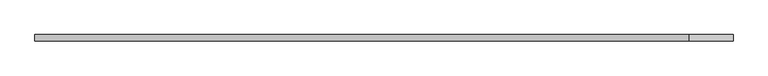
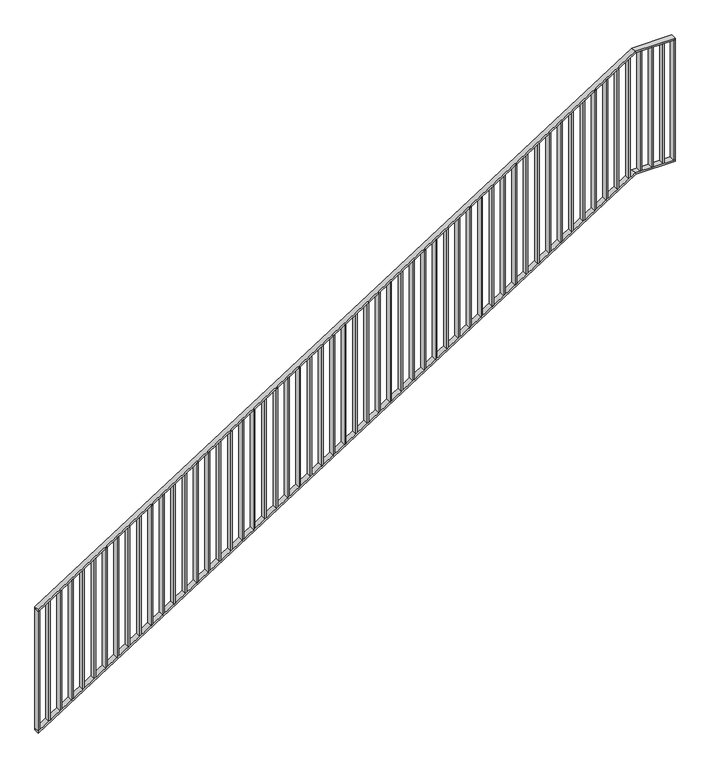
"""IFC4 building model written with IfcOpenShell, lengths in millimetres: railing geometry."""

from ifc_helpers import new_model, si_unit, frame, origin, place, context, project, spatial, polyline, outline, extrude, faceted_brep, source, transform, mapped, element, save


def railing_444c40e1(model_context):
    return source(origin(), model_context, "Body", "SolidModel", [
        faceted_brep([(10020.0, -14.6, 1178.125), (10020.0, 25.4, 1178.125), (10020.0, 25.4, 1166.2576574), (10020.0, -14.6, 1166.2576574), (14201.25, -14.6, 3850.0), (14201.25, 25.4, 3850.0), (14204.1722273, 25.4, 3840.0), (14204.1722273, -14.6, 3840.0), (14480.0, -14.6, 3850.0), (14480.0, -14.6, 3840.0), (14480.0, 25.4, 3840.0), (14480.0, 25.4, 3850.0)], [[[0, 1, 2, 3]], [[1, 0, 4, 5]], [[2, 1, 5, 6]], [[3, 2, 6, 7]], [[0, 3, 7, 4]], [[8, 9, 10, 11]], [[5, 4, 8, 11]], [[6, 5, 11, 10]], [[7, 6, 10, 9]], [[4, 7, 9, 8]]]),
        faceted_brep([(10020.0, -14.6, 278.125), (10020.0, 25.4, 278.125), (10020.0, 25.4, 266.2576574), (10020.0, -14.6, 266.2576574), (14201.25, -14.6, 2950.0), (14201.25, 25.4, 2950.0), (14204.1722273, 25.4, 2940.0), (14204.1722273, -14.6, 2940.0), (14480.0, -14.6, 2950.0), (14480.0, -14.6, 2940.0), (14480.0, 25.4, 2940.0), (14480.0, 25.4, 2950.0)], [[[0, 1, 2, 3]], [[1, 0, 4, 5]], [[2, 1, 5, 6]], [[3, 2, 6, 7]], [[0, 3, 7, 4]], [[8, 9, 10, 11]], [[5, 4, 8, 11]], [[6, 5, 11, 10]], [[7, 6, 10, 9]], [[4, 7, 9, 8]]]),
        extrude(outline(polyline([(14395.3571429, -14.6), (14395.3571429, 25.4), (14405.3571429, 25.4), (14405.3571429, -14.6), (14395.3571429, -14.6)])), frame((0.0, 0.0, 2950.0), z_axis=(0.0, 0.0, 1.0), x_axis=(1.0, 0.0, 0.0)), (0.0, 0.0, 1.0), 890.0),
        extrude(outline(polyline([(14315.7142857, -14.6), (14315.7142857, 25.4), (14325.7142857, 25.4), (14325.7142857, -14.6), (14315.7142857, -14.6)])), frame((0.0, 0.0, 2950.0), z_axis=(0.0, 0.0, 1.0), x_axis=(1.0, 0.0, 0.0)), (0.0, 0.0, 1.0), 890.0),
        extrude(outline(polyline([(14236.0714286, -14.6), (14236.0714286, 25.4), (14246.0714286, 25.4), (14246.0714286, -14.6), (14236.0714286, -14.6)])), frame((0.0, 0.0, 2950.0), z_axis=(0.0, 0.0, 1.0), x_axis=(1.0, 0.0, 0.0)), (0.0, 0.0, 1.0), 890.0),
        extrude(outline(polyline([(3811.3585042, 14156.4285714), (2921.3585042, 14156.4285714), (2927.7486387, 14166.4285714), (3817.7486387, 14166.4285714), (3811.3585042, 14156.4285714)])), frame((0.0, -14.6, 0.0), z_axis=(0.0, 1.0, 0.0), x_axis=(0.0, 0.0, 1.0)), (0.0, 0.0, 1.0), 40.0),
        extrude(outline(polyline([(3760.465647, 14076.7857143), (2870.465647, 14076.7857143), (2876.8557816, 14086.7857143), (3766.8557816, 14086.7857143), (3760.465647, 14076.7857143)])), frame((0.0, -14.6, 0.0), z_axis=(0.0, 1.0, 0.0), x_axis=(0.0, 0.0, 1.0)), (0.0, 0.0, 1.0), 40.0),
        extrude(outline(polyline([(3709.5727899, 13997.1428571), (2819.5727899, 13997.1428571), (2825.9629244, 14007.1428571), (3715.9629244, 14007.1428571), (3709.5727899, 13997.1428571)])), frame((0.0, -14.6, 0.0), z_axis=(0.0, 1.0, 0.0), x_axis=(0.0, 0.0, 1.0)), (0.0, 0.0, 1.0), 40.0),
        extrude(outline(polyline([(3658.6799327, 13917.5), (2768.6799327, 13917.5), (2775.0700673, 13927.5), (3665.0700673, 13927.5), (3658.6799327, 13917.5)])), frame((0.0, -14.6, 0.0), z_axis=(0.0, 1.0, 0.0), x_axis=(0.0, 0.0, 1.0)), (0.0, 0.0, 1.0), 40.0),
        extrude(outline(polyline([(3607.7870756, 13837.8571429), (2717.7870756, 13837.8571429), (2724.1772101, 13847.8571429), (3614.1772101, 13847.8571429), (3607.7870756, 13837.8571429)])), frame((0.0, -14.6, 0.0), z_axis=(0.0, 1.0, 0.0), x_axis=(0.0, 0.0, 1.0)), (0.0, 0.0, 1.0), 40.0),
        extrude(outline(polyline([(3556.8942184, 13758.2142857), (2666.8942184, 13758.2142857), (2673.284353, 13768.2142857), (3563.284353, 13768.2142857), (3556.8942184, 13758.2142857)])), frame((0.0, -14.6, 0.0), z_axis=(0.0, 1.0, 0.0), x_axis=(0.0, 0.0, 1.0)), (0.0, 0.0, 1.0), 40.0),
        extrude(outline(polyline([(3506.0013613, 13678.5714286), (2616.0013613, 13678.5714286), (2622.3914958, 13688.5714286), (3512.3914958, 13688.5714286), (3506.0013613, 13678.5714286)])), frame((0.0, -14.6, 0.0), z_axis=(0.0, 1.0, 0.0), x_axis=(0.0, 0.0, 1.0)), (0.0, 0.0, 1.0), 40.0),
        extrude(outline(polyline([(3455.1085042, 13598.9285714), (2565.1085042, 13598.9285714), (2571.4986387, 13608.9285714), (3461.4986387, 13608.9285714), (3455.1085042, 13598.9285714)])), frame((0.0, -14.6, 0.0), z_axis=(0.0, 1.0, 0.0), x_axis=(0.0, 0.0, 1.0)), (0.0, 0.0, 1.0), 40.0),
        extrude(outline(polyline([(3404.215647, 13519.2857143), (2514.215647, 13519.2857143), (2520.6057816, 13529.2857143), (3410.6057816, 13529.2857143), (3404.215647, 13519.2857143)])), frame((0.0, -14.6, 0.0), z_axis=(0.0, 1.0, 0.0), x_axis=(0.0, 0.0, 1.0)), (0.0, 0.0, 1.0), 40.0),
        extrude(outline(polyline([(3353.3227899, 13439.6428571), (2463.3227899, 13439.6428571), (2469.7129244, 13449.6428571), (3359.7129244, 13449.6428571), (3353.3227899, 13439.6428571)])), frame((0.0, -14.6, 0.0), z_axis=(0.0, 1.0, 0.0), x_axis=(0.0, 0.0, 1.0)), (0.0, 0.0, 1.0), 40.0),
        extrude(outline(polyline([(3302.4299327, 13360.0), (2412.4299327, 13360.0), (2418.8200673, 13370.0), (3308.8200673, 13370.0), (3302.4299327, 13360.0)])), frame((0.0, -14.6, 0.0), z_axis=(0.0, 1.0, 0.0), x_axis=(0.0, 0.0, 1.0)), (0.0, 0.0, 1.0), 40.0),
        extrude(outline(polyline([(3251.5370756, 13280.3571429), (2361.5370756, 13280.3571429), (2367.9272101, 13290.3571429), (3257.9272101, 13290.3571429), (3251.5370756, 13280.3571429)])), frame((0.0, -14.6, 0.0), z_axis=(0.0, 1.0, 0.0), x_axis=(0.0, 0.0, 1.0)), (0.0, 0.0, 1.0), 40.0),
        extrude(outline(polyline([(3200.6442184, 13200.7142857), (2310.6442184, 13200.7142857), (2317.034353, 13210.7142857), (3207.034353, 13210.7142857), (3200.6442184, 13200.7142857)])), frame((0.0, -14.6, 0.0), z_axis=(0.0, 1.0, 0.0), x_axis=(0.0, 0.0, 1.0)), (0.0, 0.0, 1.0), 40.0),
        extrude(outline(polyline([(3149.7513613, 13121.0714286), (2259.7513613, 13121.0714286), (2266.1414958, 13131.0714286), (3156.1414958, 13131.0714286), (3149.7513613, 13121.0714286)])), frame((0.0, -14.6, 0.0), z_axis=(0.0, 1.0, 0.0), x_axis=(0.0, 0.0, 1.0)), (0.0, 0.0, 1.0), 40.0),
        extrude(outline(polyline([(3098.8585042, 13041.4285714), (2208.8585042, 13041.4285714), (2215.2486387, 13051.4285714), (3105.2486387, 13051.4285714), (3098.8585042, 13041.4285714)])), frame((0.0, -14.6, 0.0), z_axis=(0.0, 1.0, 0.0), x_axis=(0.0, 0.0, 1.0)), (0.0, 0.0, 1.0), 40.0),
        extrude(outline(polyline([(3047.965647, 12961.7857143), (2157.965647, 12961.7857143), (2164.3557816, 12971.7857143), (3054.3557816, 12971.7857143), (3047.965647, 12961.7857143)])), frame((0.0, -14.6, 0.0), z_axis=(0.0, 1.0, 0.0), x_axis=(0.0, 0.0, 1.0)), (0.0, 0.0, 1.0), 40.0),
        extrude(outline(polyline([(2997.0727899, 12882.1428571), (2107.0727899, 12882.1428571), (2113.4629244, 12892.1428571), (3003.4629244, 12892.1428571), (2997.0727899, 12882.1428571)])), frame((0.0, -14.6, 0.0), z_axis=(0.0, 1.0, 0.0), x_axis=(0.0, 0.0, 1.0)), (0.0, 0.0, 1.0), 40.0),
        extrude(outline(polyline([(2946.1799327, 12802.5), (2056.1799327, 12802.5), (2062.5700673, 12812.5), (2952.5700673, 12812.5), (2946.1799327, 12802.5)])), frame((0.0, -14.6, 0.0), z_axis=(0.0, 1.0, 0.0), x_axis=(0.0, 0.0, 1.0)), (0.0, 0.0, 1.0), 40.0),
        extrude(outline(polyline([(2895.2870756, 12722.8571429), (2005.2870756, 12722.8571429), (2011.6772101, 12732.8571429), (2901.6772101, 12732.8571429), (2895.2870756, 12722.8571429)])), frame((0.0, -14.6, 0.0), z_axis=(0.0, 1.0, 0.0), x_axis=(0.0, 0.0, 1.0)), (0.0, 0.0, 1.0), 40.0),
        extrude(outline(polyline([(2844.3942184, 12643.2142857), (1954.3942184, 12643.2142857), (1960.784353, 12653.2142857), (2850.784353, 12653.2142857), (2844.3942184, 12643.2142857)])), frame((0.0, -14.6, 0.0), z_axis=(0.0, 1.0, 0.0), x_axis=(0.0, 0.0, 1.0)), (0.0, 0.0, 1.0), 40.0),
        extrude(outline(polyline([(2793.5013613, 12563.5714286), (1903.5013613, 12563.5714286), (1909.8914958, 12573.5714286), (2799.8914958, 12573.5714286), (2793.5013613, 12563.5714286)])), frame((0.0, -14.6, 0.0), z_axis=(0.0, 1.0, 0.0), x_axis=(0.0, 0.0, 1.0)), (0.0, 0.0, 1.0), 40.0),
        extrude(outline(polyline([(2742.6085042, 12483.9285714), (1852.6085042, 12483.9285714), (1858.9986387, 12493.9285714), (2748.9986387, 12493.9285714), (2742.6085042, 12483.9285714)])), frame((0.0, -14.6, 0.0), z_axis=(0.0, 1.0, 0.0), x_axis=(0.0, 0.0, 1.0)), (0.0, 0.0, 1.0), 40.0),
        extrude(outline(polyline([(2691.715647, 12404.2857143), (1801.715647, 12404.2857143), (1808.1057816, 12414.2857143), (2698.1057816, 12414.2857143), (2691.715647, 12404.2857143)])), frame((0.0, -14.6, 0.0), z_axis=(0.0, 1.0, 0.0), x_axis=(0.0, 0.0, 1.0)), (0.0, 0.0, 1.0), 40.0),
        extrude(outline(polyline([(2640.8227899, 12324.6428571), (1750.8227899, 12324.6428571), (1757.2129244, 12334.6428571), (2647.2129244, 12334.6428571), (2640.8227899, 12324.6428571)])), frame((0.0, -14.6, 0.0), z_axis=(0.0, 1.0, 0.0), x_axis=(0.0, 0.0, 1.0)), (0.0, 0.0, 1.0), 40.0),
        extrude(outline(polyline([(2589.9299327, 12245.0), (1699.9299327, 12245.0), (1706.3200673, 12255.0), (2596.3200673, 12255.0), (2589.9299327, 12245.0)])), frame((0.0, -14.6, 0.0), z_axis=(0.0, 1.0, 0.0), x_axis=(0.0, 0.0, 1.0)), (0.0, 0.0, 1.0), 40.0),
        extrude(outline(polyline([(2539.0370756, 12165.3571429), (1649.0370756, 12165.3571429), (1655.4272101, 12175.3571429), (2545.4272101, 12175.3571429), (2539.0370756, 12165.3571429)])), frame((0.0, -14.6, 0.0), z_axis=(0.0, 1.0, 0.0), x_axis=(0.0, 0.0, 1.0)), (0.0, 0.0, 1.0), 40.0),
        extrude(outline(polyline([(2488.1442184, 12085.7142857), (1598.1442184, 12085.7142857), (1604.534353, 12095.7142857), (2494.534353, 12095.7142857), (2488.1442184, 12085.7142857)])), frame((0.0, -14.6, 0.0), z_axis=(0.0, 1.0, 0.0), x_axis=(0.0, 0.0, 1.0)), (0.0, 0.0, 1.0), 40.0),
        extrude(outline(polyline([(2437.2513613, 12006.0714286), (1547.2513613, 12006.0714286), (1553.6414958, 12016.0714286), (2443.6414958, 12016.0714286), (2437.2513613, 12006.0714286)])), frame((0.0, -14.6, 0.0), z_axis=(0.0, 1.0, 0.0), x_axis=(0.0, 0.0, 1.0)), (0.0, 0.0, 1.0), 40.0),
        extrude(outline(polyline([(2386.3585042, 11926.4285714), (1496.3585042, 11926.4285714), (1502.7486387, 11936.4285714), (2392.7486387, 11936.4285714), (2386.3585042, 11926.4285714)])), frame((0.0, -14.6, 0.0), z_axis=(0.0, 1.0, 0.0), x_axis=(0.0, 0.0, 1.0)), (0.0, 0.0, 1.0), 40.0),
        extrude(outline(polyline([(2335.465647, 11846.7857143), (1445.465647, 11846.7857143), (1451.8557816, 11856.7857143), (2341.8557816, 11856.7857143), (2335.465647, 11846.7857143)])), frame((0.0, -14.6, 0.0), z_axis=(0.0, 1.0, 0.0), x_axis=(0.0, 0.0, 1.0)), (0.0, 0.0, 1.0), 40.0),
        extrude(outline(polyline([(2284.5727899, 11767.1428571), (1394.5727899, 11767.1428571), (1400.9629244, 11777.1428571), (2290.9629244, 11777.1428571), (2284.5727899, 11767.1428571)])), frame((0.0, -14.6, 0.0), z_axis=(0.0, 1.0, 0.0), x_axis=(0.0, 0.0, 1.0)), (0.0, 0.0, 1.0), 40.0),
        extrude(outline(polyline([(2233.6799327, 11687.5), (1343.6799327, 11687.5), (1350.0700673, 11697.5), (2240.0700673, 11697.5), (2233.6799327, 11687.5)])), frame((0.0, -14.6, 0.0), z_axis=(0.0, 1.0, 0.0), x_axis=(0.0, 0.0, 1.0)), (0.0, 0.0, 1.0), 40.0),
        extrude(outline(polyline([(2182.7870756, 11607.8571429), (1292.7870756, 11607.8571429), (1299.1772101, 11617.8571429), (2189.1772101, 11617.8571429), (2182.7870756, 11607.8571429)])), frame((0.0, -14.6, 0.0), z_axis=(0.0, 1.0, 0.0), x_axis=(0.0, 0.0, 1.0)), (0.0, 0.0, 1.0), 40.0),
        extrude(outline(polyline([(2131.8942184, 11528.2142857), (1241.8942184, 11528.2142857), (1248.284353, 11538.2142857), (2138.284353, 11538.2142857), (2131.8942184, 11528.2142857)])), frame((0.0, -14.6, 0.0), z_axis=(0.0, 1.0, 0.0), x_axis=(0.0, 0.0, 1.0)), (0.0, 0.0, 1.0), 40.0),
        extrude(outline(polyline([(2081.0013613, 11448.5714286), (1191.0013613, 11448.5714286), (1197.3914958, 11458.5714286), (2087.3914958, 11458.5714286), (2081.0013613, 11448.5714286)])), frame((0.0, -14.6, 0.0), z_axis=(0.0, 1.0, 0.0), x_axis=(0.0, 0.0, 1.0)), (0.0, 0.0, 1.0), 40.0),
        extrude(outline(polyline([(2030.1085042, 11368.9285714), (1140.1085042, 11368.9285714), (1146.4986387, 11378.9285714), (2036.4986387, 11378.9285714), (2030.1085042, 11368.9285714)])), frame((0.0, -14.6, 0.0), z_axis=(0.0, 1.0, 0.0), x_axis=(0.0, 0.0, 1.0)), (0.0, 0.0, 1.0), 40.0),
        extrude(outline(polyline([(1979.215647, 11289.2857143), (1089.215647, 11289.2857143), (1095.6057816, 11299.2857143), (1985.6057816, 11299.2857143), (1979.215647, 11289.2857143)])), frame((0.0, -14.6, 0.0), z_axis=(0.0, 1.0, 0.0), x_axis=(0.0, 0.0, 1.0)), (0.0, 0.0, 1.0), 40.0),
        extrude(outline(polyline([(1928.3227899, 11209.6428571), (1038.3227899, 11209.6428571), (1044.7129244, 11219.6428571), (1934.7129244, 11219.6428571), (1928.3227899, 11209.6428571)])), frame((0.0, -14.6, 0.0), z_axis=(0.0, 1.0, 0.0), x_axis=(0.0, 0.0, 1.0)), (0.0, 0.0, 1.0), 40.0),
        extrude(outline(polyline([(1877.4299327, 11130.0), (987.4299327, 11130.0), (993.8200673, 11140.0), (1883.8200673, 11140.0), (1877.4299327, 11130.0)])), frame((0.0, -14.6, 0.0), z_axis=(0.0, 1.0, 0.0), x_axis=(0.0, 0.0, 1.0)), (0.0, 0.0, 1.0), 40.0),
        extrude(outline(polyline([(1826.5370756, 11050.3571429), (936.5370756, 11050.3571429), (942.9272101, 11060.3571429), (1832.9272101, 11060.3571429), (1826.5370756, 11050.3571429)])), frame((0.0, -14.6, 0.0), z_axis=(0.0, 1.0, 0.0), x_axis=(0.0, 0.0, 1.0)), (0.0, 0.0, 1.0), 40.0),
        extrude(outline(polyline([(1775.6442184, 10970.7142857), (885.6442184, 10970.7142857), (892.034353, 10980.7142857), (1782.034353, 10980.7142857), (1775.6442184, 10970.7142857)])), frame((0.0, -14.6, 0.0), z_axis=(0.0, 1.0, 0.0), x_axis=(0.0, 0.0, 1.0)), (0.0, 0.0, 1.0), 40.0),
        extrude(outline(polyline([(1724.7513613, 10891.0714286), (834.7513613, 10891.0714286), (841.1414958, 10901.0714286), (1731.1414958, 10901.0714286), (1724.7513613, 10891.0714286)])), frame((0.0, -14.6, 0.0), z_axis=(0.0, 1.0, 0.0), x_axis=(0.0, 0.0, 1.0)), (0.0, 0.0, 1.0), 40.0),
        extrude(outline(polyline([(1673.8585042, 10811.4285714), (783.8585042, 10811.4285714), (790.2486387, 10821.4285714), (1680.2486387, 10821.4285714), (1673.8585042, 10811.4285714)])), frame((0.0, -14.6, 0.0), z_axis=(0.0, 1.0, 0.0), x_axis=(0.0, 0.0, 1.0)), (0.0, 0.0, 1.0), 40.0),
        extrude(outline(polyline([(1622.965647, 10731.7857143), (732.965647, 10731.7857143), (739.3557816, 10741.7857143), (1629.3557816, 10741.7857143), (1622.965647, 10731.7857143)])), frame((0.0, -14.6, 0.0), z_axis=(0.0, 1.0, 0.0), x_axis=(0.0, 0.0, 1.0)), (0.0, 0.0, 1.0), 40.0),
        extrude(outline(polyline([(1572.0727899, 10652.1428571), (682.0727899, 10652.1428571), (688.4629244, 10662.1428571), (1578.4629244, 10662.1428571), (1572.0727899, 10652.1428571)])), frame((0.0, -14.6, 0.0), z_axis=(0.0, 1.0, 0.0), x_axis=(0.0, 0.0, 1.0)), (0.0, 0.0, 1.0), 40.0),
        extrude(outline(polyline([(1521.1799327, 10572.5), (631.1799327, 10572.5), (637.5700673, 10582.5), (1527.5700673, 10582.5), (1521.1799327, 10572.5)])), frame((0.0, -14.6, 0.0), z_axis=(0.0, 1.0, 0.0), x_axis=(0.0, 0.0, 1.0)), (0.0, 0.0, 1.0), 40.0),
        extrude(outline(polyline([(1470.2870756, 10492.8571429), (580.2870756, 10492.8571429), (586.6772101, 10502.8571429), (1476.6772101, 10502.8571429), (1470.2870756, 10492.8571429)])), frame((0.0, -14.6, 0.0), z_axis=(0.0, 1.0, 0.0), x_axis=(0.0, 0.0, 1.0)), (0.0, 0.0, 1.0), 40.0),
        extrude(outline(polyline([(1419.3942184, 10413.2142857), (529.3942184, 10413.2142857), (535.784353, 10423.2142857), (1425.784353, 10423.2142857), (1419.3942184, 10413.2142857)])), frame((0.0, -14.6, 0.0), z_axis=(0.0, 1.0, 0.0), x_axis=(0.0, 0.0, 1.0)), (0.0, 0.0, 1.0), 40.0),
        extrude(outline(polyline([(1368.5013613, 10333.5714286), (478.5013613, 10333.5714286), (484.8914958, 10343.5714286), (1374.8914958, 10343.5714286), (1368.5013613, 10333.5714286)])), frame((0.0, -14.6, 0.0), z_axis=(0.0, 1.0, 0.0), x_axis=(0.0, 0.0, 1.0)), (0.0, 0.0, 1.0), 40.0),
        extrude(outline(polyline([(1317.6085042, 10253.9285714), (427.6085042, 10253.9285714), (433.9986387, 10263.9285714), (1323.9986387, 10263.9285714), (1317.6085042, 10253.9285714)])), frame((0.0, -14.6, 0.0), z_axis=(0.0, 1.0, 0.0), x_axis=(0.0, 0.0, 1.0)), (0.0, 0.0, 1.0), 40.0),
        extrude(outline(polyline([(1266.715647, 10174.2857143), (376.715647, 10174.2857143), (383.1057816, 10184.2857143), (1273.1057816, 10184.2857143), (1266.715647, 10174.2857143)])), frame((0.0, -14.6, 0.0), z_axis=(0.0, 1.0, 0.0), x_axis=(0.0, 0.0, 1.0)), (0.0, 0.0, 1.0), 40.0),
        extrude(outline(polyline([(1215.8227899, 10094.6428571), (325.8227899, 10094.6428571), (332.2129244, 10104.6428571), (1222.2129244, 10104.6428571), (1215.8227899, 10094.6428571)])), frame((0.0, -14.6, 0.0), z_axis=(0.0, 1.0, 0.0), x_axis=(0.0, 0.0, 1.0)), (0.0, 0.0, 1.0), 40.0),
        extrude(outline(polyline([(14470.0, -14.6), (14470.0, 25.4), (14480.0, 25.4), (14480.0, -14.6), (14470.0, -14.6)])), frame((0.0, 0.0, 2950.0), z_axis=(0.0, 0.0, 1.0), x_axis=(1.0, 0.0, 0.0)), (0.0, 0.0, 1.0), 890.0),
        extrude(outline(polyline([(1168.125, 10020.0), (278.125, 10020.0), (284.5151345, 10030.0), (1174.5151345, 10030.0), (1168.125, 10020.0)])), frame((0.0, -14.6, 0.0), z_axis=(0.0, 1.0, 0.0), x_axis=(0.0, 0.0, 1.0)), (0.0, 0.0, 1.0), 40.0),
    ])


if __name__ == "__main__":
    model = new_model("IFC4")
    model_context = context("Model", 3, world=origin())
    ifc_project = project(units=[si_unit("LENGTHUNIT", "METRE", prefix="MILLI")], contexts=[model_context])
    site = spatial("IfcSite", under=ifc_project)
    building = spatial("IfcBuilding", under=site)
    placement = place(None, origin())
    railing_shape = railing_444c40e1(model_context)
    element("IfcRailing", 1, at=placement, inside=building, context=model_context, shape_type="MappedRepresentation", body=[
        mapped(railing_shape, transform((0.0, 0.0, 0.0), x_axis=(1.0, 0.0, 0.0), y_axis=(0.0, 1.0, 0.0), z_axis=(0.0, 0.0, 1.0))),
    ])
    save(model, "model.ifc")
